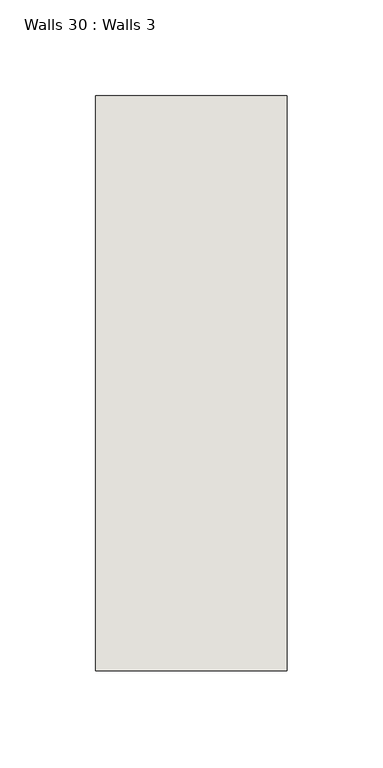
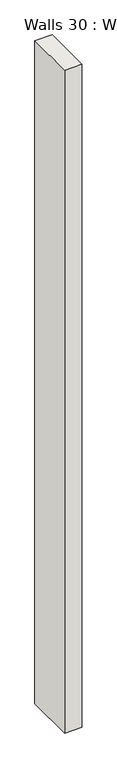
"""IFC4 building model written with IfcOpenShell, lengths in millimetres: wall geometry, Walls 30 : Walls 3."""

from ifc_helpers import new_model, si_unit, origin, origin_with_axes, place, context, project, spatial, polyline, outline, extrude, source, transform, mapped, element, save


def walls_30_walls_3_b3db024d(model_context):
    return source(origin(), model_context, "Body", "SweptSolid", [
        extrude(outline(polyline([(-3212.3812655, 1518.41264), (-3212.3812655, 1818.41264), (-3112.3812655, 1818.41264), (-3112.3812655, 1518.41264), (-3212.3812655, 1518.41264)])), origin_with_axes(), (0.0, 0.0, 1.0), 4085.1192828),
    ])


if __name__ == "__main__":
    model = new_model("IFC4")
    model_context = context("Model", 3, world=origin())
    ifc_project = project(units=[si_unit("LENGTHUNIT", "METRE", prefix="MILLI")], contexts=[model_context])
    site = spatial("IfcSite", under=ifc_project)
    building = spatial("IfcBuilding", under=site)
    placement = place(None, origin())
    walls_30_walls_3_shape = walls_30_walls_3_b3db024d(model_context)
    element("IfcWall", 1, ObjectType="Walls 30 : Walls 3", at=placement, inside=building, context=model_context, shape_type="MappedRepresentation", body=[
        mapped(walls_30_walls_3_shape, transform((0.0, 0.0, 0.0), x_axis=(1.0, 0.0, 0.0), y_axis=(0.0, 1.0, 0.0), z_axis=(0.0, 0.0, 1.0))),
    ])
    save(model, "model.ifc")
